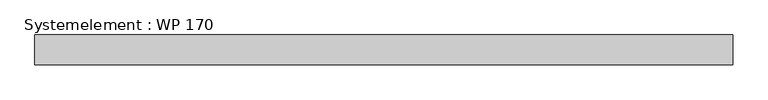
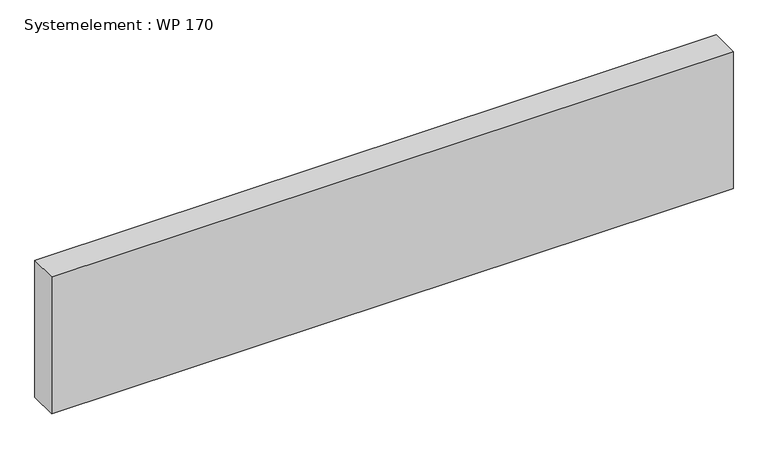
"""IFC4 building model written with IfcOpenShell, lengths in millimetres: plate geometry, Systemelement : WP 170."""

import ifcopenshell
import ifcopenshell.guid

model = None  # the IFC model being written
_history = None  # IfcOwnerHistory: only IFC2X3 demands one
_inside = {}  # id of a spatial element -> (the spatial element, [elements in it])
_under = {}  # id of a project, library or spatial element -> (it, [spatial elements below it])
_declared = {}  # id of a project -> (the project, [libraries it declares])
_typed = {}  # id of a type object -> (the type object, [elements of that type])
_made_of = {}  # id of a material, layer set ... -> (it, [elements and type objects made of it])


def new_model(schema):
    """Start an empty IFC model of exactly this schema.

    Asked for "IFC4X3", IfcOpenShell would pick the latest addendum, in which some entities
    have other attributes; the version numbers below select the first issue.
    IFC2X3 requires an IfcOwnerHistory on every rooted entity: one is made here for all.
    """
    global model, _history
    if schema == "IFC4X3":
        model = ifcopenshell.file(schema_version=(4, 3, 0, 0))
    else:
        model = ifcopenshell.file(schema=schema)
    _inside.clear()
    _under.clear()
    _declared.clear()
    _typed.clear()
    _made_of.clear()
    _history = None
    if model.schema == "IFC2X3":
        org = make("IfcOrganization", Name="unknown")
        user = make(
            "IfcPersonAndOrganization",
            ThePerson=make("IfcPerson", FamilyName="unknown"),
            TheOrganization=org,
        )
        app = make(
            "IfcApplication",
            ApplicationDeveloper=org,
            Version="unknown",
            ApplicationFullName="unknown",
            ApplicationIdentifier="unknown",
        )
        _history = make(
            "IfcOwnerHistory",
            OwningUser=user,
            OwningApplication=app,
            ChangeAction="ADDED",
            CreationDate=0,
        )
    return model


def make(cls, **values):
    """One entity of the class cls with the attributes given. An attribute that is None is left unset."""
    return model.create_entity(
        cls, **{name: value for name, value in values.items() if value is not None}
    )


def rooted(cls, **values):
    """An entity with a GlobalId (a new one), such as an element, a storey or a relation."""
    return make(cls, GlobalId=ifcopenshell.guid.new(), OwnerHistory=_history, **values)


def si_unit(unit_type, name, prefix=None):
    """IfcSIUnit, for example si_unit("LENGTHUNIT", "METRE", prefix="MILLI")."""
    return make("IfcSIUnit", UnitType=unit_type, Prefix=prefix, Name=name)


def assignment(units):
    """IfcUnitAssignment: the units of a project."""
    return None if units is None else make("IfcUnitAssignment", Units=units)


def point(xyz):
    """IfcCartesianPoint."""
    return None if xyz is None else make("IfcCartesianPoint", Coordinates=xyz)


def direction(xyz):
    """IfcDirection."""
    return None if xyz is None else make("IfcDirection", DirectionRatios=xyz)


def frame(location, z_axis=None, x_axis=None):
    """IfcAxis2Placement3D, a coordinate frame: its origin and axes. An axis left out is left unset."""
    return make(
        "IfcAxis2Placement3D",
        Location=point(location),
        Axis=direction(z_axis),
        RefDirection=direction(x_axis),
    )


def origin():
    """The frame at (0, 0, 0) with its axes left unset."""
    return frame((0.0, 0.0, 0.0))


def origin_with_axes():
    """The frame at (0, 0, 0) with the z axis (0, 0, 1) and the x axis (1, 0, 0) written out."""
    return frame((0.0, 0.0, 0.0), z_axis=(0.0, 0.0, 1.0), x_axis=(1.0, 0.0, 0.0))


def place(relative_to, where):
    """IfcLocalPlacement: puts the frame where relative to a parent placement (None: the world)."""
    return make(
        "IfcLocalPlacement", PlacementRelTo=relative_to, RelativePlacement=where
    )


def context(
    kind, dimensions, precision=None, world=None, true_north=None, identifier=None
):
    """IfcGeometricRepresentationContext, for example the 3D "Model" context."""
    return make(
        "IfcGeometricRepresentationContext",
        ContextIdentifier=identifier,
        ContextType=kind,
        CoordinateSpaceDimension=dimensions,
        Precision=precision,
        WorldCoordinateSystem=world,
        TrueNorth=true_north,
    )


def project(units=None, contexts=None):
    """IfcProject with its units and contexts."""
    return rooted(
        "IfcProject",
        Name="project",
        RepresentationContexts=contexts,
        UnitsInContext=assignment(units),
    )


def spatial(cls, under=None, at=None, **own):
    """A site, building, storey or space (cls), placed at a placement, below another one or the project."""
    s = rooted(cls, ObjectPlacement=at, **own)
    if under is not None:
        _under.setdefault(under.id(), (under, []))[1].append(s)
    return s


def polyline(points):
    """IfcPolyline through the points."""
    return make("IfcPolyline", Points=[point(p) for p in points])


def outline(outer, holes=None, kind="AREA"):
    """IfcArbitraryClosedProfileDef: a profile drawn as a closed curve; with holes, ...WithVoids."""
    if holes is None:
        return make("IfcArbitraryClosedProfileDef", ProfileType=kind, OuterCurve=outer)
    return make(
        "IfcArbitraryProfileDefWithVoids",
        ProfileType=kind,
        OuterCurve=outer,
        InnerCurves=holes,
    )


def extrude(swept, where, along, depth):
    """IfcExtrudedAreaSolid: the profile swept, set in the frame where, extruded along a direction by depth."""
    return make(
        "IfcExtrudedAreaSolid",
        SweptArea=swept,
        Position=where,
        ExtrudedDirection=direction(along),
        Depth=depth,
    )


def shape(context_of_items, identifier, shape_type, items):
    """IfcShapeRepresentation: the items that make up one representation, for example the "Body"."""
    return make(
        "IfcShapeRepresentation",
        ContextOfItems=context_of_items,
        RepresentationIdentifier=identifier,
        RepresentationType=shape_type,
        Items=items,
    )


def source(mapping_origin, context_of_items, identifier, shape_type, items):
    """IfcRepresentationMap: a shape defined once, which mapped items show again and again."""
    return make(
        "IfcRepresentationMap",
        MappingOrigin=mapping_origin,
        MappedRepresentation=shape(context_of_items, identifier, shape_type, items),
    )


def transform(
    local_origin,
    x_axis=None,
    y_axis=None,
    z_axis=None,
    scale=None,
    scale2=None,
    scale3=None,
    uniform=True,
):
    """IfcCartesianTransformationOperator3D, or its non-uniform kind. x_axis, y_axis, z_axis: its Axis1, 2, 3."""
    if uniform:
        return make(
            "IfcCartesianTransformationOperator3D",
            Axis1=direction(x_axis),
            Axis2=direction(y_axis),
            LocalOrigin=point(local_origin),
            Scale=scale,
            Axis3=direction(z_axis),
        )
    return make(
        "IfcCartesianTransformationOperator3DnonUniform",
        Axis1=direction(x_axis),
        Axis2=direction(y_axis),
        LocalOrigin=point(local_origin),
        Scale=scale,
        Axis3=direction(z_axis),
        Scale2=scale2,
        Scale3=scale3,
    )


def mapped(mapping_source, mapping_target):
    """IfcMappedItem: shows the shape of a source again, moved by a transform."""
    return make(
        "IfcMappedItem", MappingSource=mapping_source, MappingTarget=mapping_target
    )


def made_of(thing, what):
    """Note that an element or type object is made of a material, layer set ...; save() writes the relation."""
    if what is not None:
        _made_of.setdefault(what.id(), (what, []))[1].append(thing)
    return thing


def element(
    cls,
    number,
    at=None,
    inside=None,
    cuts=None,
    type_object=None,
    material=None,
    context=None,
    identifier="Body",
    shape_type=None,
    held_by="IfcProductDefinitionShape",
    body=None,
    shapes=None,
    **own,
):
    """One element of the class cls, such as IfcWall. Its Tag is "e" and its number.

    at: its placement. inside: the storey or other place that contains it. cuts: it is an
    opening in that element (IfcRelVoidsElement). A single representation is given by context,
    identifier, shape_type and body (its items); several are given by shapes. held_by: the class
    of the entity that holds the representations. save() writes the other relations.
    """
    e = rooted(cls, Tag="e%d" % number, ObjectPlacement=at, **own)
    if body is not None:
        shapes = [shape(context, identifier, shape_type, body)]
    if shapes is not None:
        e.Representation = make(held_by, Representations=shapes)
    if inside is not None:
        _inside.setdefault(inside.id(), (inside, []))[1].append(e)
    if cuts is not None:
        rooted(
            "IfcRelVoidsElement", RelatingBuildingElement=cuts, RelatedOpeningElement=e
        )
    if type_object is not None:
        _typed.setdefault(type_object.id(), (type_object, []))[1].append(e)
    return made_of(e, material)


def aggregate(whole, parts):
    """IfcRelAggregates: a whole, such as a stair, and the parts it consists of."""
    return rooted("IfcRelAggregates", RelatingObject=whole, RelatedObjects=parts)


def save(model, path):
    """Write the relations noted so far, then the file.

    IfcRelAggregates (storeys below a building ...), IfcRelContainedInSpatialStructure (elements
    in a storey), IfcRelDefinesByType, IfcRelAssociatesMaterial and IfcRelDeclares: one each for
    every whole, place, type object, material and project.
    """
    for whole, parts in _under.values():
        aggregate(whole, parts)
    for where, things in _inside.values():
        rooted(
            "IfcRelContainedInSpatialStructure",
            RelatedElements=things,
            RelatingStructure=where,
        )
    for kind, things in _typed.values():
        rooted("IfcRelDefinesByType", RelatedObjects=things, RelatingType=kind)
    for what, things in _made_of.values():
        rooted("IfcRelAssociatesMaterial", RelatedObjects=things, RelatingMaterial=what)
    for by, libraries in _declared.values():
        rooted("IfcRelDeclares", RelatingContext=by, RelatedDefinitions=libraries)
    model.write(path)


def systemelement_wp_170_5810fd78(model_context):
    return source(origin(), model_context, "Body", "SweptSolid", [
        extrude(outline(polyline([(2000.0, -170.0), (-2000.0, -170.0), (-2000.0, 0.0), (2000.0, 0.0), (2000.0, -170.0)])), origin_with_axes(), (0.0, 0.0, 1.0), 851.6147161),
    ])


if __name__ == "__main__":
    model = new_model("IFC4")
    model_context = context("Model", 3, world=origin())
    ifc_project = project(units=[si_unit("LENGTHUNIT", "METRE", prefix="MILLI")], contexts=[model_context])
    site = spatial("IfcSite", under=ifc_project)
    building = spatial("IfcBuilding", under=site)
    placement = place(None, origin())
    systemelement_wp_170_shape = systemelement_wp_170_5810fd78(model_context)
    element("IfcPlate", 1, ObjectType="Systemelement : WP 170", at=placement, inside=building, context=model_context, shape_type="MappedRepresentation", body=[
        mapped(systemelement_wp_170_shape, transform((0.0, 0.0, 0.0), x_axis=(1.0, 0.0, 0.0), y_axis=(0.0, 1.0, 0.0), z_axis=(0.0, 0.0, 1.0))),
    ])
    save(model, "model.ifc")
